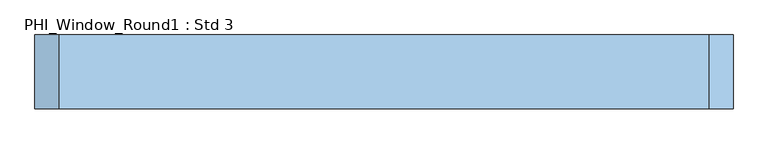
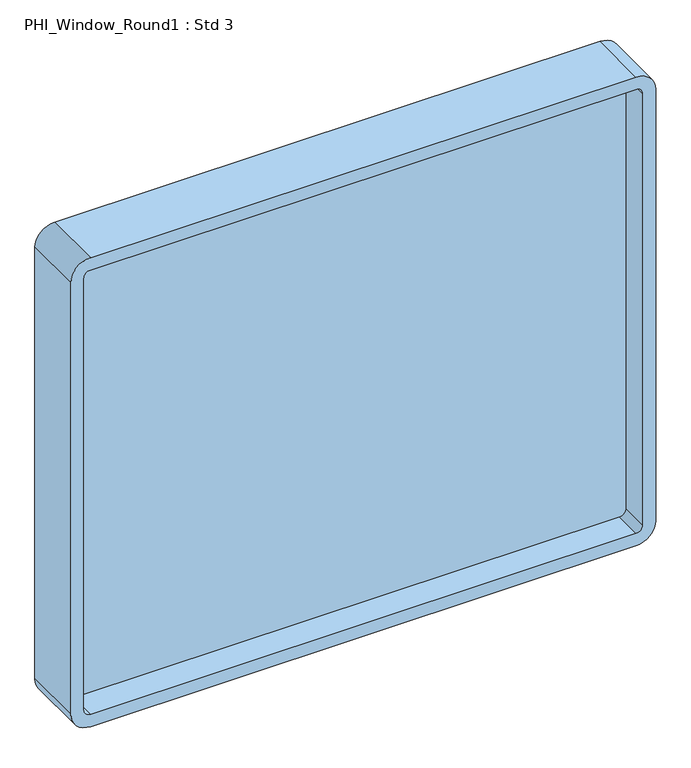
"""IFC4 building model written with IfcOpenShell, lengths in millimetres: window geometry, PHI_Window_Round1 : Std 3."""

from ifc_helpers import new_model, si_unit, point, frame, frame_2d, origin, place, context, project, spatial, polyline, circle_curve, trimmed, segment, composite_curve, outline, extrude, source, transform, mapped, element, save


def phi_window_round1_std_3_6525f344(model_context):
    return source(origin(), model_context, "Body", "SweptSolid", [
        extrude(outline(composite_curve([segment(polyline([(2115.0, 660.0169938), (2115.0, -660.0169938)]), True, "CONTINUOUS"), segment(trimmed(circle_curve(frame_2d((2067.0, -660.0169938)), 48.0), [point((2115.0, -660.0169938))], [point((2067.0, -708.0169938))], False, "CARTESIAN"), True, "CONTINUOUS"), segment(polyline([(2067.0, -708.0169938), (963.0, -708.0169938)]), True, "CONTINUOUS"), segment(trimmed(circle_curve(frame_2d((963.0, -660.0169938)), 48.0), [point((963.0, -708.0169938))], [point((915.0, -660.0169938))], False, "CARTESIAN"), True, "CONTINUOUS"), segment(polyline([(915.0, -660.0169938), (915.0, 660.0169938)]), True, "CONTINUOUS"), segment(trimmed(circle_curve(frame_2d((963.0, 660.0169938)), 48.0), [point((915.0, 660.0169938))], [point((963.0, 708.0169938))], False, "CARTESIAN"), True, "CONTINUOUS"), segment(polyline([(963.0, 708.0169938), (2067.0, 708.0169938)]), True, "CONTINUOUS"), segment(trimmed(circle_curve(frame_2d((2067.0, 660.0169938)), 48.0), [point((2067.0, 708.0169938))], [point((2115.0, 660.0169938))], False, "CARTESIAN"), True, "CONTINUOUS")], self_intersect=False), holes=[composite_curve([segment(polyline([(963.0, -676.0169938), (2067.0, -676.0169938)]), True, "CONTINUOUS"), segment(trimmed(circle_curve(frame_2d((2067.0, -660.0169938)), 16.0), [point((2067.0, -676.0169938))], [point((2083.0, -660.0169938))], True, "CARTESIAN"), True, "CONTINUOUS"), segment(polyline([(2083.0, -660.0169938), (2083.0, 660.0169938)]), True, "CONTINUOUS"), segment(trimmed(circle_curve(frame_2d((2067.0, 660.0169938)), 16.0), [point((2083.0, 660.0169938))], [point((2067.0, 676.0169938))], True, "CARTESIAN"), True, "CONTINUOUS"), segment(polyline([(2067.0, 676.0169938), (963.0, 676.0169938)]), True, "CONTINUOUS"), segment(trimmed(circle_curve(frame_2d((963.0, 660.0169938)), 16.0), [point((963.0, 676.0169938))], [point((947.0, 660.0169938))], True, "CARTESIAN"), True, "CONTINUOUS"), segment(polyline([(947.0, 660.0169938), (947.0, -660.0169938)]), True, "CONTINUOUS"), segment(trimmed(circle_curve(frame_2d((963.0, -660.0169938)), 16.0), [point((947.0, -660.0169938))], [point((963.0, -676.0169938))], True, "CARTESIAN"), True, "CONTINUOUS")], self_intersect=False)]), frame((0.0, -62.0, 0.0), z_axis=(0.0, 1.0, 0.0), x_axis=(0.0, 0.0, 1.0)), (0.0, 0.0, 1.0), 150.0),
        extrude(outline(polyline([(-689.0169938, 19.0), (689.0169938, 19.0), (689.0169938, 7.0), (-689.0169938, 7.0), (-689.0169938, 19.0)])), frame((0.0, 0.0, 934.0), z_axis=(0.0, 0.0, 1.0), x_axis=(1.0, 0.0, 0.0)), (0.0, 0.0, 1.0), 1162.0),
    ])


if __name__ == "__main__":
    model = new_model("IFC4")
    model_context = context("Model", 3, world=origin())
    ifc_project = project(units=[si_unit("LENGTHUNIT", "METRE", prefix="MILLI")], contexts=[model_context])
    site = spatial("IfcSite", under=ifc_project)
    building = spatial("IfcBuilding", under=site)
    placement = place(None, origin())
    phi_window_round1_std_3_shape = phi_window_round1_std_3_6525f344(model_context)
    element("IfcWindow", 1, ObjectType="PHI_Window_Round1 : Std 3", at=placement, inside=building, context=model_context, shape_type="MappedRepresentation", body=[
        mapped(phi_window_round1_std_3_shape, transform((0.0, 0.0, 0.0), x_axis=(1.0, 0.0, 0.0), y_axis=(0.0, 1.0, 0.0), z_axis=(0.0, 0.0, 1.0))),
    ])
    save(model, "model.ifc")
